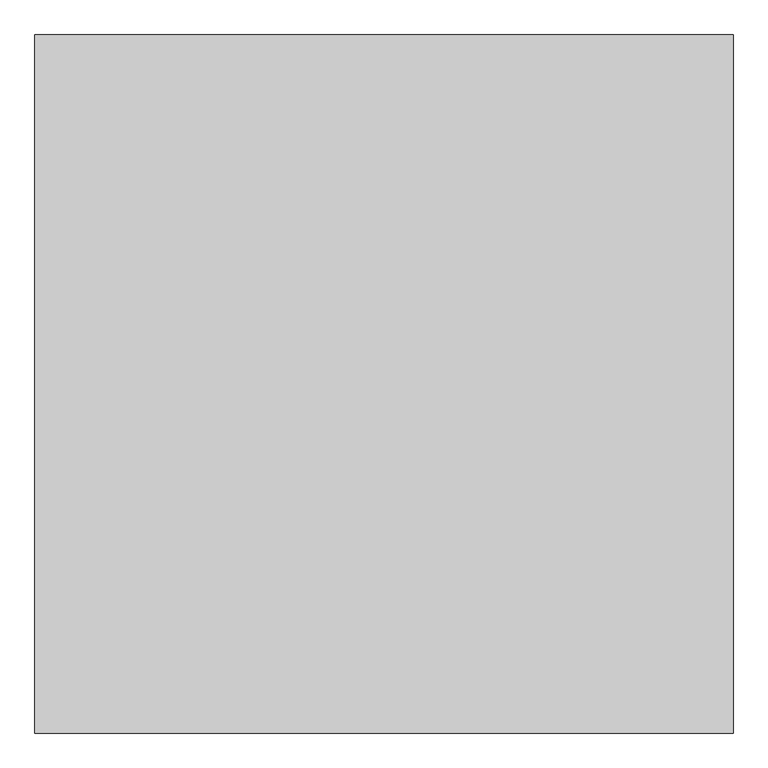
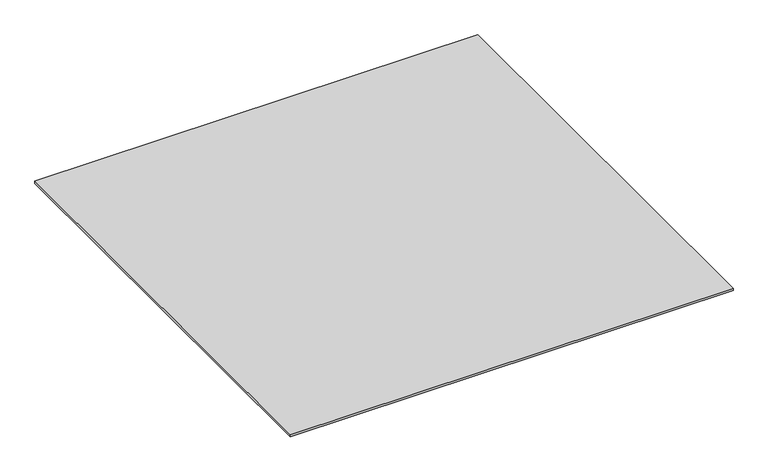
"""IFC4 building model written with IfcOpenShell, lengths in millimetres: proxy geometry."""

import ifcopenshell
import ifcopenshell.guid

model = None  # the IFC model being written
_history = None  # IfcOwnerHistory: only IFC2X3 demands one
_inside = {}  # id of a spatial element -> (the spatial element, [elements in it])
_under = {}  # id of a project, library or spatial element -> (it, [spatial elements below it])
_declared = {}  # id of a project -> (the project, [libraries it declares])
_typed = {}  # id of a type object -> (the type object, [elements of that type])
_made_of = {}  # id of a material, layer set ... -> (it, [elements and type objects made of it])


def new_model(schema):
    """Start an empty IFC model of exactly this schema.

    Asked for "IFC4X3", IfcOpenShell would pick the latest addendum, in which some entities
    have other attributes; the version numbers below select the first issue.
    IFC2X3 requires an IfcOwnerHistory on every rooted entity: one is made here for all.
    """
    global model, _history
    if schema == "IFC4X3":
        model = ifcopenshell.file(schema_version=(4, 3, 0, 0))
    else:
        model = ifcopenshell.file(schema=schema)
    _inside.clear()
    _under.clear()
    _declared.clear()
    _typed.clear()
    _made_of.clear()
    _history = None
    if model.schema == "IFC2X3":
        org = make("IfcOrganization", Name="unknown")
        user = make(
            "IfcPersonAndOrganization",
            ThePerson=make("IfcPerson", FamilyName="unknown"),
            TheOrganization=org,
        )
        app = make(
            "IfcApplication",
            ApplicationDeveloper=org,
            Version="unknown",
            ApplicationFullName="unknown",
            ApplicationIdentifier="unknown",
        )
        _history = make(
            "IfcOwnerHistory",
            OwningUser=user,
            OwningApplication=app,
            ChangeAction="ADDED",
            CreationDate=0,
        )
    return model


def make(cls, **values):
    """One entity of the class cls with the attributes given. An attribute that is None is left unset."""
    return model.create_entity(
        cls, **{name: value for name, value in values.items() if value is not None}
    )


def rooted(cls, **values):
    """An entity with a GlobalId (a new one), such as an element, a storey or a relation."""
    return make(cls, GlobalId=ifcopenshell.guid.new(), OwnerHistory=_history, **values)


def si_unit(unit_type, name, prefix=None):
    """IfcSIUnit, for example si_unit("LENGTHUNIT", "METRE", prefix="MILLI")."""
    return make("IfcSIUnit", UnitType=unit_type, Prefix=prefix, Name=name)


def assignment(units):
    """IfcUnitAssignment: the units of a project."""
    return None if units is None else make("IfcUnitAssignment", Units=units)


def point(xyz):
    """IfcCartesianPoint."""
    return None if xyz is None else make("IfcCartesianPoint", Coordinates=xyz)


def direction(xyz):
    """IfcDirection."""
    return None if xyz is None else make("IfcDirection", DirectionRatios=xyz)


def frame(location, z_axis=None, x_axis=None):
    """IfcAxis2Placement3D, a coordinate frame: its origin and axes. An axis left out is left unset."""
    return make(
        "IfcAxis2Placement3D",
        Location=point(location),
        Axis=direction(z_axis),
        RefDirection=direction(x_axis),
    )


def origin():
    """The frame at (0, 0, 0) with its axes left unset."""
    return frame((0.0, 0.0, 0.0))


def origin_with_axes():
    """The frame at (0, 0, 0) with the z axis (0, 0, 1) and the x axis (1, 0, 0) written out."""
    return frame((0.0, 0.0, 0.0), z_axis=(0.0, 0.0, 1.0), x_axis=(1.0, 0.0, 0.0))


def place(relative_to, where):
    """IfcLocalPlacement: puts the frame where relative to a parent placement (None: the world)."""
    return make(
        "IfcLocalPlacement", PlacementRelTo=relative_to, RelativePlacement=where
    )


def context(
    kind, dimensions, precision=None, world=None, true_north=None, identifier=None
):
    """IfcGeometricRepresentationContext, for example the 3D "Model" context."""
    return make(
        "IfcGeometricRepresentationContext",
        ContextIdentifier=identifier,
        ContextType=kind,
        CoordinateSpaceDimension=dimensions,
        Precision=precision,
        WorldCoordinateSystem=world,
        TrueNorth=true_north,
    )


def project(units=None, contexts=None):
    """IfcProject with its units and contexts."""
    return rooted(
        "IfcProject",
        Name="project",
        RepresentationContexts=contexts,
        UnitsInContext=assignment(units),
    )


def spatial(cls, under=None, at=None, **own):
    """A site, building, storey or space (cls), placed at a placement, below another one or the project."""
    s = rooted(cls, ObjectPlacement=at, **own)
    if under is not None:
        _under.setdefault(under.id(), (under, []))[1].append(s)
    return s


def polyline(points):
    """IfcPolyline through the points."""
    return make("IfcPolyline", Points=[point(p) for p in points])


def outline(outer, holes=None, kind="AREA"):
    """IfcArbitraryClosedProfileDef: a profile drawn as a closed curve; with holes, ...WithVoids."""
    if holes is None:
        return make("IfcArbitraryClosedProfileDef", ProfileType=kind, OuterCurve=outer)
    return make(
        "IfcArbitraryProfileDefWithVoids",
        ProfileType=kind,
        OuterCurve=outer,
        InnerCurves=holes,
    )


def extrude(swept, where, along, depth):
    """IfcExtrudedAreaSolid: the profile swept, set in the frame where, extruded along a direction by depth."""
    return make(
        "IfcExtrudedAreaSolid",
        SweptArea=swept,
        Position=where,
        ExtrudedDirection=direction(along),
        Depth=depth,
    )


def shape(context_of_items, identifier, shape_type, items):
    """IfcShapeRepresentation: the items that make up one representation, for example the "Body"."""
    return make(
        "IfcShapeRepresentation",
        ContextOfItems=context_of_items,
        RepresentationIdentifier=identifier,
        RepresentationType=shape_type,
        Items=items,
    )


def source(mapping_origin, context_of_items, identifier, shape_type, items):
    """IfcRepresentationMap: a shape defined once, which mapped items show again and again."""
    return make(
        "IfcRepresentationMap",
        MappingOrigin=mapping_origin,
        MappedRepresentation=shape(context_of_items, identifier, shape_type, items),
    )


def transform(
    local_origin,
    x_axis=None,
    y_axis=None,
    z_axis=None,
    scale=None,
    scale2=None,
    scale3=None,
    uniform=True,
):
    """IfcCartesianTransformationOperator3D, or its non-uniform kind. x_axis, y_axis, z_axis: its Axis1, 2, 3."""
    if uniform:
        return make(
            "IfcCartesianTransformationOperator3D",
            Axis1=direction(x_axis),
            Axis2=direction(y_axis),
            LocalOrigin=point(local_origin),
            Scale=scale,
            Axis3=direction(z_axis),
        )
    return make(
        "IfcCartesianTransformationOperator3DnonUniform",
        Axis1=direction(x_axis),
        Axis2=direction(y_axis),
        LocalOrigin=point(local_origin),
        Scale=scale,
        Axis3=direction(z_axis),
        Scale2=scale2,
        Scale3=scale3,
    )


def mapped(mapping_source, mapping_target):
    """IfcMappedItem: shows the shape of a source again, moved by a transform."""
    return make(
        "IfcMappedItem", MappingSource=mapping_source, MappingTarget=mapping_target
    )


def made_of(thing, what):
    """Note that an element or type object is made of a material, layer set ...; save() writes the relation."""
    if what is not None:
        _made_of.setdefault(what.id(), (what, []))[1].append(thing)
    return thing


def element(
    cls,
    number,
    at=None,
    inside=None,
    cuts=None,
    type_object=None,
    material=None,
    context=None,
    identifier="Body",
    shape_type=None,
    held_by="IfcProductDefinitionShape",
    body=None,
    shapes=None,
    **own,
):
    """One element of the class cls, such as IfcWall. Its Tag is "e" and its number.

    at: its placement. inside: the storey or other place that contains it. cuts: it is an
    opening in that element (IfcRelVoidsElement). A single representation is given by context,
    identifier, shape_type and body (its items); several are given by shapes. held_by: the class
    of the entity that holds the representations. save() writes the other relations.
    """
    e = rooted(cls, Tag="e%d" % number, ObjectPlacement=at, **own)
    if body is not None:
        shapes = [shape(context, identifier, shape_type, body)]
    if shapes is not None:
        e.Representation = make(held_by, Representations=shapes)
    if inside is not None:
        _inside.setdefault(inside.id(), (inside, []))[1].append(e)
    if cuts is not None:
        rooted(
            "IfcRelVoidsElement", RelatingBuildingElement=cuts, RelatedOpeningElement=e
        )
    if type_object is not None:
        _typed.setdefault(type_object.id(), (type_object, []))[1].append(e)
    return made_of(e, material)


def aggregate(whole, parts):
    """IfcRelAggregates: a whole, such as a stair, and the parts it consists of."""
    return rooted("IfcRelAggregates", RelatingObject=whole, RelatedObjects=parts)


def save(model, path):
    """Write the relations noted so far, then the file.

    IfcRelAggregates (storeys below a building ...), IfcRelContainedInSpatialStructure (elements
    in a storey), IfcRelDefinesByType, IfcRelAssociatesMaterial and IfcRelDeclares: one each for
    every whole, place, type object, material and project.
    """
    for whole, parts in _under.values():
        aggregate(whole, parts)
    for where, things in _inside.values():
        rooted(
            "IfcRelContainedInSpatialStructure",
            RelatedElements=things,
            RelatingStructure=where,
        )
    for kind, things in _typed.values():
        rooted("IfcRelDefinesByType", RelatedObjects=things, RelatingType=kind)
    for what, things in _made_of.values():
        rooted("IfcRelAssociatesMaterial", RelatedObjects=things, RelatingMaterial=what)
    for by, libraries in _declared.values():
        rooted("IfcRelDeclares", RelatingContext=by, RelatedDefinitions=libraries)
    model.write(path)


def generic_models_22568b7a(model_context):
    return source(origin(), model_context, "Body", "SweptSolid", [
        extrude(outline(polyline([(7403.0762132, -39487.355679), (7403.0762132, -40487.355679), (6403.0762132, -40487.355679), (6403.0762132, -39487.355679), (7403.0762132, -39487.355679)])), origin_with_axes(), (0.0, 0.0, 1.0), 5.0),
    ])


if __name__ == "__main__":
    model = new_model("IFC4")
    model_context = context("Model", 3, world=origin())
    ifc_project = project(units=[si_unit("LENGTHUNIT", "METRE", prefix="MILLI")], contexts=[model_context])
    site = spatial("IfcSite", under=ifc_project)
    building = spatial("IfcBuilding", under=site)
    placement = place(None, origin())
    generic_models_shape = generic_models_22568b7a(model_context)
    element("IfcBuildingElementProxy", 1, Name="Generic Models", at=placement, inside=building, context=model_context, shape_type="MappedRepresentation", body=[
        mapped(generic_models_shape, transform((0.0, 0.0, 0.0), x_axis=(1.0, 0.0, 0.0), y_axis=(0.0, 1.0, 0.0), z_axis=(0.0, 0.0, 1.0))),
    ])
    save(model, "model.ifc")
